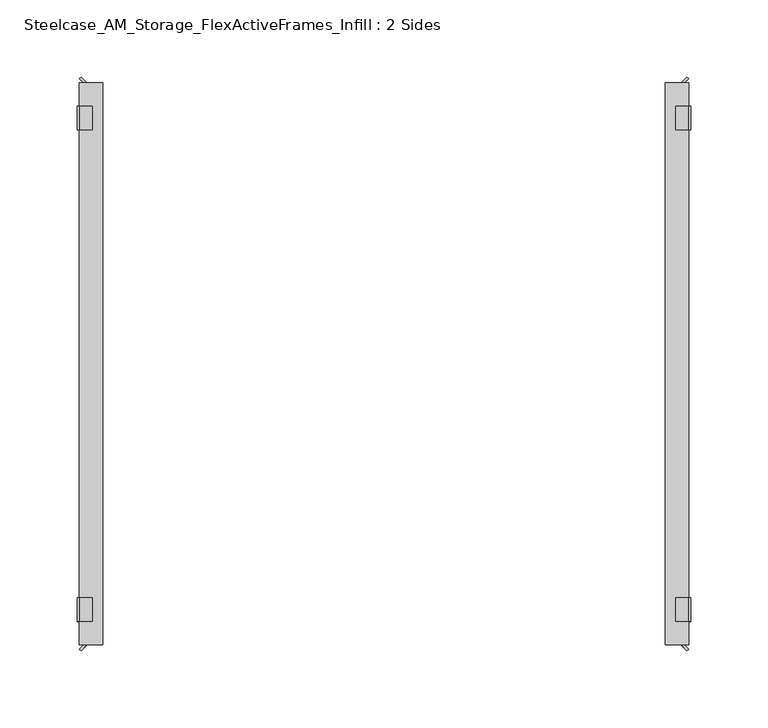
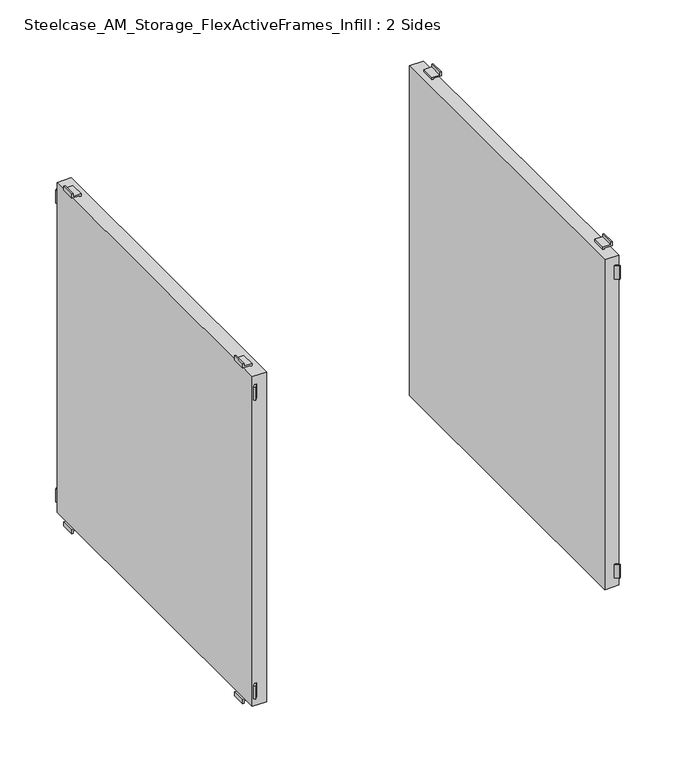
"""IFC4 building model written with IfcOpenShell, lengths in millimetres: furniture geometry, Steelcase_AM_Storage_FlexActiveFrames_Infill : 2 Sides."""

from ifc_helpers import new_model, si_unit, frame, origin, place, context, project, spatial, polyline, outline, extrude, source, transform, mapped, element, save


def steelcase_am_storage_flexactiveframes_infill_2_sides_7b74cbf8(model_context):
    return source(origin(), model_context, "Body", "SweptSolid", [
        extrude(outline(polyline([(394.8423586, -382.27), (397.4973445, -384.924986), (396.4197138, -386.0026167), (392.6870971, -382.27), (394.8423586, -382.27)])), frame((0.0, 0.0, 472.0336), z_axis=(0.0, 0.0, 1.0), x_axis=(1.0, 0.0, 0.0)), (0.0, 0.0, 1.0), 15.24),
        extrude(outline(polyline([(394.8423586, -17.78), (392.6870971, -17.78), (396.4197138, -14.0473833), (397.4973445, -15.125014), (394.8423586, -17.78)])), frame((0.0, 0.0, 472.0336), z_axis=(0.0, 0.0, 1.0), x_axis=(1.0, 0.0, 0.0)), (0.0, 0.0, 1.0), 15.24),
        extrude(outline(polyline([(394.8423586, -382.27), (397.4973445, -384.924986), (396.4197138, -386.0026167), (392.6870971, -382.27), (394.8423586, -382.27)])), frame((0.0, 0.0, 131.6736), z_axis=(0.0, 0.0, 1.0), x_axis=(1.0, 0.0, 0.0)), (0.0, 0.0, 1.0), 15.24),
        extrude(outline(polyline([(394.8423586, -17.78), (392.6870971, -17.78), (396.4197138, -14.0473833), (397.4973445, -15.125014), (394.8423586, -17.78)])), frame((0.0, 0.0, 131.6736), z_axis=(0.0, 0.0, 1.0), x_axis=(1.0, 0.0, 0.0)), (0.0, 0.0, 1.0), 15.24),
        extrude(outline(polyline([(503.0770636, 397.51), (499.9736, 397.51), (499.9736, 389.128), (497.4336, 389.128), (497.4336, 390.652), (498.4496, 390.652), (498.4496, 399.034), (503.0770636, 399.034), (503.0770636, 397.51)])), frame((0.0, -48.26, 0.0), z_axis=(0.0, 1.0, 0.0), x_axis=(0.0, 0.0, 1.0)), (0.0, 0.0, 1.0), 15.24),
        extrude(outline(polyline([(115.8701364, 397.51), (115.8701364, 399.034), (120.4976, 399.034), (120.4976, 390.652), (121.5136, 390.652), (121.5136, 389.128), (118.9736, 389.128), (118.9736, 397.51), (115.8701364, 397.51)])), frame((0.0, -48.26, 0.0), z_axis=(0.0, 1.0, 0.0), x_axis=(0.0, 0.0, 1.0)), (0.0, 0.0, 1.0), 15.24),
        extrude(outline(polyline([(503.0770636, 397.51), (499.9736, 397.51), (499.9736, 389.128), (497.4336, 389.128), (497.4336, 390.652), (498.4496, 390.652), (498.4496, 399.034), (503.0770636, 399.034), (503.0770636, 397.51)])), frame((0.0, -367.03, 0.0), z_axis=(0.0, 1.0, 0.0), x_axis=(0.0, 0.0, 1.0)), (0.0, 0.0, 1.0), 15.24),
        extrude(outline(polyline([(115.8701364, 397.51), (115.8701364, 399.034), (120.4976, 399.034), (120.4976, 390.652), (121.5136, 390.652), (121.5136, 389.128), (118.9736, 389.128), (118.9736, 397.51), (115.8701364, 397.51)])), frame((0.0, -367.03, 0.0), z_axis=(0.0, 1.0, 0.0), x_axis=(0.0, 0.0, 1.0)), (0.0, 0.0, 1.0), 15.24),
        extrude(outline(polyline([(382.27, -17.78), (397.51, -17.78), (397.51, -382.27), (382.27, -382.27), (382.27, -17.78)])), frame((0.0, 0.0, 121.5136), z_axis=(0.0, 0.0, 1.0), x_axis=(1.0, 0.0, 0.0)), (0.0, 0.0, 1.0), 375.92),
        extrude(outline(polyline([(5.2076414, -382.27), (7.3629029, -382.27), (3.6302862, -386.0026167), (2.5526555, -384.924986), (5.2076414, -382.27)])), frame((0.0, 0.0, 472.0336), z_axis=(0.0, 0.0, 1.0), x_axis=(1.0, 0.0, 0.0)), (0.0, 0.0, 1.0), 15.24),
        extrude(outline(polyline([(5.2076414, -17.78), (2.5526555, -15.125014), (3.6302862, -14.0473833), (7.3629029, -17.78), (5.2076414, -17.78)])), frame((0.0, 0.0, 472.0336), z_axis=(0.0, 0.0, 1.0), x_axis=(1.0, 0.0, 0.0)), (0.0, 0.0, 1.0), 15.24),
        extrude(outline(polyline([(5.2076414, -382.27), (7.3629029, -382.27), (3.6302862, -386.0026167), (2.5526555, -384.924986), (5.2076414, -382.27)])), frame((0.0, 0.0, 131.6736), z_axis=(0.0, 0.0, 1.0), x_axis=(1.0, 0.0, 0.0)), (0.0, 0.0, 1.0), 15.24),
        extrude(outline(polyline([(5.2076414, -17.78), (2.5526555, -15.125014), (3.6302862, -14.0473833), (7.3629029, -17.78), (5.2076414, -17.78)])), frame((0.0, 0.0, 131.6736), z_axis=(0.0, 0.0, 1.0), x_axis=(1.0, 0.0, 0.0)), (0.0, 0.0, 1.0), 15.24),
        extrude(outline(polyline([(503.0770636, 2.54), (503.0770636, 1.016), (498.4496, 1.016), (498.4496, 9.398), (497.4336, 9.398), (497.4336, 10.922), (499.9736, 10.922), (499.9736, 2.54), (503.0770636, 2.54)])), frame((0.0, -48.26, 0.0), z_axis=(0.0, 1.0, 0.0), x_axis=(0.0, 0.0, 1.0)), (0.0, 0.0, 1.0), 15.24),
        extrude(outline(polyline([(115.8701364, 2.54), (118.9736, 2.54), (118.9736, 10.922), (121.5136, 10.922), (121.5136, 9.398), (120.4976, 9.398), (120.4976, 1.016), (115.8701364, 1.016), (115.8701364, 2.54)])), frame((0.0, -48.26, 0.0), z_axis=(0.0, 1.0, 0.0), x_axis=(0.0, 0.0, 1.0)), (0.0, 0.0, 1.0), 15.24),
        extrude(outline(polyline([(503.0770636, 2.54), (503.0770636, 1.016), (498.4496, 1.016), (498.4496, 9.398), (497.4336, 9.398), (497.4336, 10.922), (499.9736, 10.922), (499.9736, 2.54), (503.0770636, 2.54)])), frame((0.0, -367.03, 0.0), z_axis=(0.0, 1.0, 0.0), x_axis=(0.0, 0.0, 1.0)), (0.0, 0.0, 1.0), 15.24),
        extrude(outline(polyline([(115.8701364, 2.54), (118.9736, 2.54), (118.9736, 10.922), (121.5136, 10.922), (121.5136, 9.398), (120.4976, 9.398), (120.4976, 1.016), (115.8701364, 1.016), (115.8701364, 2.54)])), frame((0.0, -367.03, 0.0), z_axis=(0.0, 1.0, 0.0), x_axis=(0.0, 0.0, 1.0)), (0.0, 0.0, 1.0), 15.24),
        extrude(outline(polyline([(17.78, -17.78), (17.78, -382.27), (2.54, -382.27), (2.54, -17.78), (17.78, -17.78)])), frame((0.0, 0.0, 121.5136), z_axis=(0.0, 0.0, 1.0), x_axis=(1.0, 0.0, 0.0)), (0.0, 0.0, 1.0), 375.92),
    ])


if __name__ == "__main__":
    model = new_model("IFC4")
    model_context = context("Model", 3, world=origin())
    ifc_project = project(units=[si_unit("LENGTHUNIT", "METRE", prefix="MILLI")], contexts=[model_context])
    site = spatial("IfcSite", under=ifc_project)
    building = spatial("IfcBuilding", under=site)
    placement = place(None, origin())
    steelcase_am_storage_flexactiveframes_infill_2_sides_shape = steelcase_am_storage_flexactiveframes_infill_2_sides_7b74cbf8(model_context)
    element("IfcFurniture", 1, ObjectType="Steelcase_AM_Storage_FlexActiveFrames_Infill : 2 Sides", at=placement, inside=building, context=model_context, shape_type="MappedRepresentation", body=[
        mapped(steelcase_am_storage_flexactiveframes_infill_2_sides_shape, transform((0.0, 0.0, 0.0), x_axis=(1.0, 0.0, 0.0), y_axis=(0.0, 1.0, 0.0), z_axis=(0.0, 0.0, 1.0))),
    ])
    save(model, "model.ifc")
